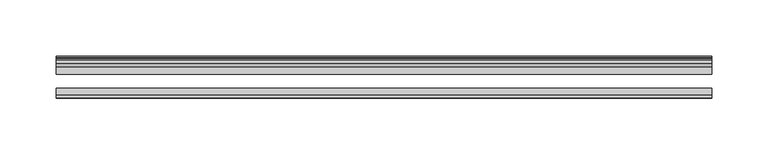
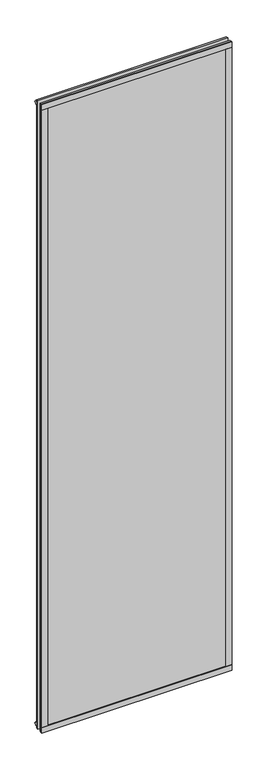
"""IFC4 building model written with IfcOpenShell, lengths in millimetres: plate geometry."""

from ifc_helpers import new_model, si_unit, frame, origin, origin_with_axes, place, context, project, spatial, polyline, outline, extrude, source, transform, mapped, element, save


def plate_5d626f63(model_context):
    return source(origin(), model_context, "Body", "SweptSolid", [
        extrude(outline(polyline([(290.5125002, -44.4293643), (290.5125002, -46.7153636), (-290.5125002, -46.7153636), (-290.5125002, -44.4293643), (290.5125002, -44.4293643)])), frame((0.0, 0.0, 1993.8872999), z_axis=(0.0, 0.0, 1.0), x_axis=(1.0, 0.0, 0.0)), (0.0, 0.0, 1.0), 17.4752),
        extrude(outline(polyline([(290.5125002, -44.4293643), (290.5125002, -46.7153636), (-290.5125002, -46.7153636), (-290.5125002, -44.4293643), (290.5125002, -44.4293643)])), frame((0.0, 0.0, -17.4625), z_axis=(0.0, 0.0, 1.0), x_axis=(1.0, 0.0, 0.0)), (0.0, 0.0, 1.0), 17.4752),
        extrude(outline(polyline([(-16.311566, -12.4459992), (-19.5373643, -9.7597211), (-19.5373643, 1.1616223), (-13.365166, -0.5079992), (-13.365166, -5.7149992), (-10.9849691, -6.0959992), (-11.4449023, -4.6804701), (-10.6436881, -4.6804701), (-9.936166, -6.8579992), (-10.6436881, -9.0355282), (-11.4449023, -9.0355282), (-10.9849691, -7.6199992), (-13.365166, -8.0009992), (-13.365166, -12.4459992), (-16.311566, -12.4459992)])), frame((-290.5125002, 0.0, 0.0), z_axis=(1.0, 0.0, 0.0), x_axis=(0.0, 1.0, 0.0)), (0.0, 0.0, 1.0), 581.0250003),
        extrude(outline(polyline([(-16.311566, 2006.345999), (-13.365166, 2006.345999), (-13.365166, 2001.900999), (-10.9849691, 2001.519999), (-11.4449023, 2002.9355281), (-10.6436881, 2002.9355281), (-9.936166, 2000.757999), (-10.6436881, 1998.58047), (-11.4449023, 1998.58047), (-10.9849691, 1999.995999), (-13.365166, 1999.614999), (-13.365166, 1994.407999), (-19.5373643, 1992.7383775), (-19.5373643, 2003.659721), (-16.311566, 2006.345999)])), frame((-290.5125002, 0.0, 0.0), z_axis=(1.0, 0.0, 0.0), x_axis=(0.0, 1.0, 0.0)), (0.0, 0.0, 1.0), 581.0250003),
        extrude(outline(polyline([(-271.8883778, -19.5373643), (-282.8097213, -19.5373643), (-285.4959993, -16.311566), (-285.4959993, -13.365166), (-281.0509993, -13.365166), (-280.6699993, -10.9849691), (-282.0855284, -11.4449023), (-282.0855284, -10.6436881), (-279.9079993, -9.936166), (-277.7304703, -10.6436881), (-277.7304703, -11.4449023), (-279.1459993, -10.9849691), (-278.7649993, -13.365166), (-273.5579993, -13.365166), (-271.8883778, -19.5373643)])), origin_with_axes(), (0.0, 0.0, 1.0), 1993.8999999),
        extrude(outline(polyline([(-273.0373002, -44.4293643), (-273.0373002, -46.7153636), (-290.5125002, -46.7153636), (-290.5125002, -44.4293643), (-273.0373002, -44.4293643)])), origin_with_axes(), (0.0, 0.0, 1.0), 1993.8999999),
        extrude(outline(polyline([(271.901078, -19.5373643), (273.5706995, -13.365166), (278.7776995, -13.365166), (279.1586995, -10.9849691), (277.7431705, -11.4449023), (277.7431705, -10.6436881), (279.9206995, -9.936166), (282.0982286, -10.6436881), (282.0982286, -11.4449023), (280.6826995, -10.9849691), (281.0636995, -13.365166), (285.5086995, -13.365166), (285.5086995, -16.311566), (282.8224215, -19.5373643), (271.901078, -19.5373643)])), origin_with_axes(), (0.0, 0.0, 1.0), 1993.8999999),
        extrude(outline(polyline([(290.5252004, -46.7153636), (273.05, -46.7153636), (273.05, -44.4293643), (290.5252004, -44.4293643), (290.5252004, -46.7153636)])), origin_with_axes(), (0.0, 0.0, 1.0), 1993.8999999),
        extrude(outline(polyline([(290.5125002, -19.5373643), (290.5125002, -25.8250158), (-290.5125002, -25.8250158), (-290.5125002, -19.5373643), (290.5125002, -19.5373643)])), frame((0.0, 0.0, -17.4497998), z_axis=(0.0, 0.0, 1.0), x_axis=(1.0, 0.0, 0.0)), (0.0, 0.0, 1.0), 2028.8122997),
        extrude(outline(polyline([(-290.5125002, -44.4293643), (-290.5125002, -38.1186142), (290.5125002, -38.1186142), (290.5125002, -44.4293643), (-290.5125002, -44.4293643)])), frame((0.0, 0.0, -17.4497998), z_axis=(0.0, 0.0, 1.0), x_axis=(1.0, 0.0, 0.0)), (0.0, 0.0, 1.0), 2028.8122997),
    ])


if __name__ == "__main__":
    model = new_model("IFC4")
    model_context = context("Model", 3, world=origin())
    ifc_project = project(units=[si_unit("LENGTHUNIT", "METRE", prefix="MILLI")], contexts=[model_context])
    site = spatial("IfcSite", under=ifc_project)
    building = spatial("IfcBuilding", under=site)
    placement = place(None, origin())
    plate_shape = plate_5d626f63(model_context)
    element("IfcPlate", 1, at=placement, inside=building, context=model_context, shape_type="MappedRepresentation", body=[
        mapped(plate_shape, transform((0.0, 0.0, 0.0), x_axis=(1.0, 0.0, 0.0), y_axis=(0.0, 1.0, 0.0), z_axis=(0.0, 0.0, 1.0))),
    ])
    save(model, "model.ifc")
